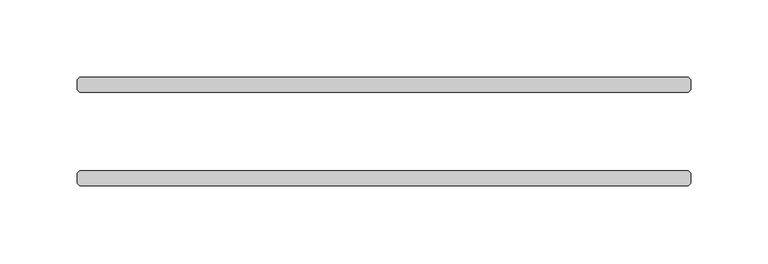
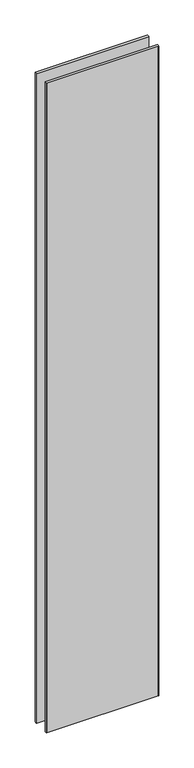
"""IFC4 building model written with IfcOpenShell, lengths in millimetres: plate geometry."""

from ifc_helpers import new_model, si_unit, origin, origin_with_axes, place, context, project, spatial, polyline, outline, extrude, source, transform, mapped, element, save


def plate_4b846d05(model_context):
    return source(origin(), model_context, "Body", "SweptSolid", [
        extrude(outline(polyline([(196.453125, -25.4), (198.040625, -26.9875), (198.040625, -33.3375), (196.453125, -34.925), (-196.453125, -34.925), (-198.040625, -33.3375), (-198.040625, -26.9875), (-196.453125, -25.4), (196.453125, -25.4)])), origin_with_axes(), (0.0, 0.0, 1.0), 2417.7625023),
        extrude(outline(polyline([(196.453125, 34.925), (198.040625, 33.3375), (198.040625, 26.9875), (196.453125, 25.4), (-196.453125, 25.4), (-198.040625, 26.9875), (-198.040625, 33.3375), (-196.453125, 34.925), (196.453125, 34.925)])), origin_with_axes(), (0.0, 0.0, 1.0), 2417.7625023),
    ])


if __name__ == "__main__":
    model = new_model("IFC4")
    model_context = context("Model", 3, world=origin())
    ifc_project = project(units=[si_unit("LENGTHUNIT", "METRE", prefix="MILLI")], contexts=[model_context])
    site = spatial("IfcSite", under=ifc_project)
    building = spatial("IfcBuilding", under=site)
    placement = place(None, origin())
    plate_shape = plate_4b846d05(model_context)
    element("IfcPlate", 1, at=placement, inside=building, context=model_context, shape_type="MappedRepresentation", body=[
        mapped(plate_shape, transform((0.0, 0.0, 0.0), x_axis=(1.0, 0.0, 0.0), y_axis=(0.0, 1.0, 0.0), z_axis=(0.0, 0.0, 1.0))),
    ])
    save(model, "model.ifc")
